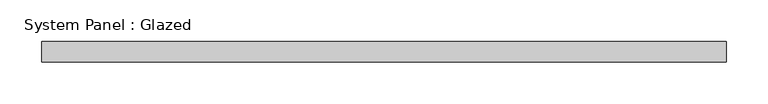
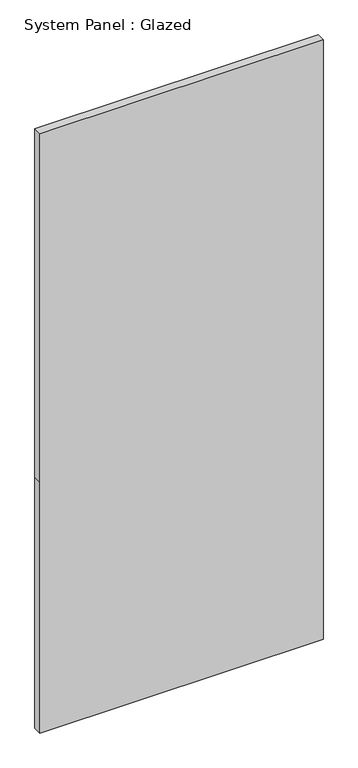
"""IFC4 building model written with IfcOpenShell, lengths in millimetres: plate geometry, System Panel : Glazed."""

from ifc_helpers import new_model, si_unit, frame, origin, place, context, project, spatial, polyline, outline, extrude, source, transform, mapped, element, save


def system_panel_glazed_b8159cc3(model_context):
    return source(origin(), model_context, "Body", "SweptSolid", [
        extrude(outline(polyline([(0.0, -412.5), (0.0, 412.5), (773.3333333, 412.5), (1846.6666667, 412.5), (1846.6666667, -412.5), (773.3333333, -412.5), (0.0, -412.5)])), frame((0.0, 24.5, 0.0), z_axis=(0.0, 1.0, 0.0), x_axis=(0.0, 0.0, 1.0)), (0.0, 0.0, 1.0), 25.0),
    ])


if __name__ == "__main__":
    model = new_model("IFC4")
    model_context = context("Model", 3, world=origin())
    ifc_project = project(units=[si_unit("LENGTHUNIT", "METRE", prefix="MILLI")], contexts=[model_context])
    site = spatial("IfcSite", under=ifc_project)
    building = spatial("IfcBuilding", under=site)
    placement = place(None, origin())
    system_panel_glazed_shape = system_panel_glazed_b8159cc3(model_context)
    element("IfcPlate", 1, ObjectType="System Panel : Glazed", at=placement, inside=building, context=model_context, shape_type="MappedRepresentation", body=[
        mapped(system_panel_glazed_shape, transform((0.0, 0.0, 0.0), x_axis=(1.0, 0.0, 0.0), y_axis=(0.0, 1.0, 0.0), z_axis=(0.0, 0.0, 1.0))),
    ])
    save(model, "model.ifc")
